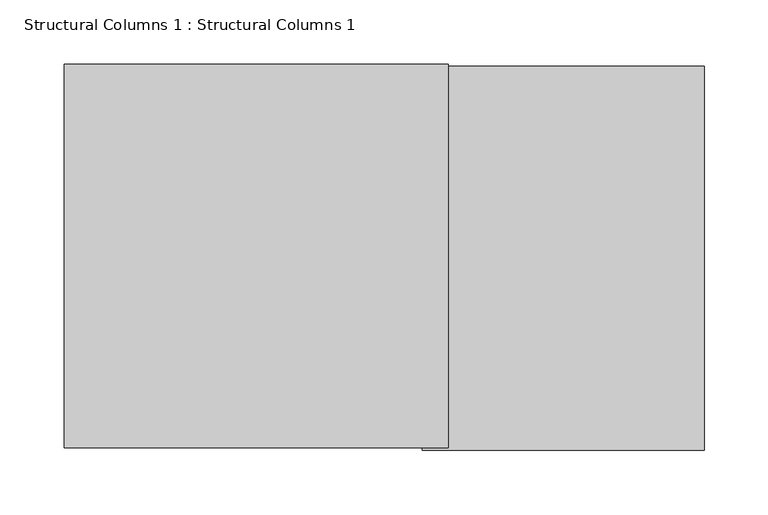
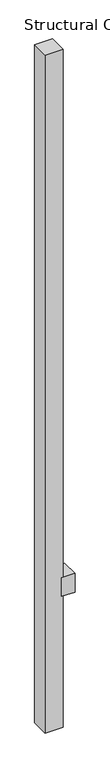
"""IFC4 building model written with IfcOpenShell, lengths in millimetres: column geometry, Structural Columns 1 : Structural Columns 1."""

from ifc_helpers import new_model, si_unit, frame, origin, origin_with_axes, place, context, project, spatial, polyline, outline, extrude, source, transform, mapped, element, save


def structural_columns_1_structural_columns_1_d51e9873(model_context):
    return source(origin(), model_context, "Body", "SweptSolid", [
        extrude(outline(polyline([(350.0, 150.0), (350.0, -150.0), (130.0, -150.0), (130.0, 150.0), (350.0, 150.0)])), frame((0.0, 0.0, 2320.0), z_axis=(0.0, 0.0, 1.0), x_axis=(1.0, 0.0, 0.0)), (0.0, 0.0, 1.0), 330.0),
        extrude(outline(polyline([(150.0, 150.0), (150.0, -150.0), (-150.0, -150.0), (-150.0, 150.0), (150.0, 150.0)])), origin_with_axes(), (0.0, 0.0, 1.0), 12000.0),
    ])


if __name__ == "__main__":
    model = new_model("IFC4")
    model_context = context("Model", 3, world=origin())
    ifc_project = project(units=[si_unit("LENGTHUNIT", "METRE", prefix="MILLI")], contexts=[model_context])
    site = spatial("IfcSite", under=ifc_project)
    building = spatial("IfcBuilding", under=site)
    placement = place(None, origin())
    structural_columns_1_structural_columns_1_shape = structural_columns_1_structural_columns_1_d51e9873(model_context)
    element("IfcColumn", 1, ObjectType="Structural Columns 1 : Structural Columns 1", at=placement, inside=building, context=model_context, shape_type="MappedRepresentation", body=[
        mapped(structural_columns_1_structural_columns_1_shape, transform((0.0, 0.0, 0.0), x_axis=(1.0, 0.0, 0.0), y_axis=(0.0, 1.0, 0.0), z_axis=(0.0, 0.0, 1.0))),
    ])
    save(model, "model.ifc")
